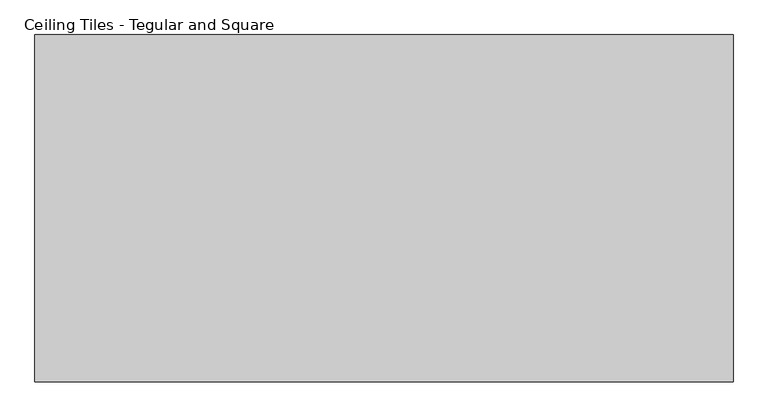
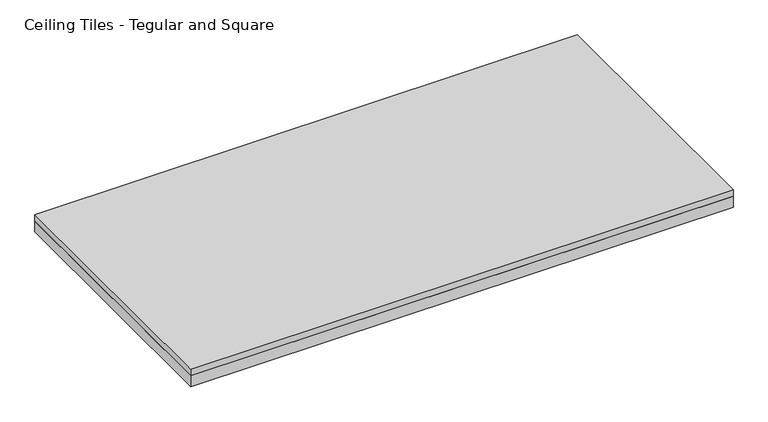
"""IFC4 building model written with IfcOpenShell, lengths in millimetres: proxy geometry, Ceiling Tiles - Tegular and Square."""

from ifc_helpers import new_model, si_unit, frame, origin, origin_with_axes, place, context, project, spatial, polyline, outline, extrude, source, transform, mapped, element, save


def ceiling_tiles_tegular_and_square_ffa8aa9f(model_context):
    return source(origin(), model_context, "Body", "SweptSolid", [
        extrude(outline(polyline([(606.425, 301.625), (606.425, -301.625), (-606.425, -301.625), (-606.425, 301.625), (606.425, 301.625)])), origin_with_axes(), (0.0, 0.0, 1.0), 25.4),
        extrude(outline(polyline([(-606.425, 301.625), (606.425, 301.625), (606.425, -301.625), (-606.425, -301.625), (-606.425, 301.625)])), frame((0.0, 0.0, 25.4), z_axis=(0.0, 0.0, 1.0), x_axis=(1.0, 0.0, 0.0)), (0.0, 0.0, 1.0), 15.875),
    ])


if __name__ == "__main__":
    model = new_model("IFC4")
    model_context = context("Model", 3, world=origin())
    ifc_project = project(units=[si_unit("LENGTHUNIT", "METRE", prefix="MILLI")], contexts=[model_context])
    site = spatial("IfcSite", under=ifc_project)
    building = spatial("IfcBuilding", under=site)
    placement = place(None, origin())
    ceiling_tiles_tegular_and_square_shape = ceiling_tiles_tegular_and_square_ffa8aa9f(model_context)
    element("IfcBuildingElementProxy", 1, Name="Ceiling Tiles - Tegular and Square", ObjectType="Ceiling Tiles - Tegular and Square", at=placement, inside=building, context=model_context, shape_type="MappedRepresentation", body=[
        mapped(ceiling_tiles_tegular_and_square_shape, transform((0.0, 0.0, 0.0), x_axis=(1.0, 0.0, 0.0), y_axis=(0.0, 1.0, 0.0), z_axis=(0.0, 0.0, 1.0))),
    ])
    save(model, "model.ifc")
